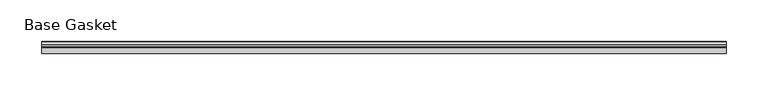
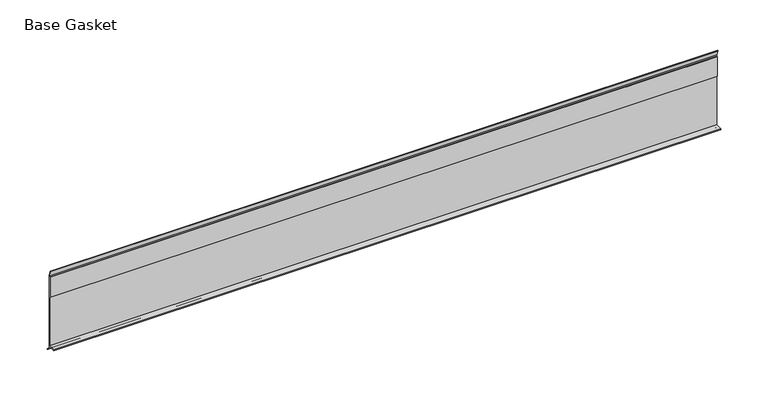
"""IFC4 building model written with IfcOpenShell, lengths in millimetres: furniture geometry, Base Gasket."""

from ifc_helpers import new_model, si_unit, frame, origin, place, context, project, spatial, polyline, outline, extrude, source, transform, mapped, element, save


def base_gasket_f4178dae(model_context):
    return source(origin(), model_context, "Body", "SweptSolid", [
        extrude(outline(polyline([(3.7283812, 98.4568417), (3.7283812, 4.3498477), (7.4222115, 0.6560174), (7.8482342, 0.0), (6.8281054, 0.3520979), (2.2043812, 4.3498477), (2.1334222, 6.3818476), (-6.2405171, 6.3818476), (-6.2405171, 7.9398773), (2.2043812, 7.9398773), (2.2043812, 71.4693447), (1.4106313, 71.4693447), (1.4106313, 96.8693477), (2.2043812, 96.8693477), (2.2043812, 98.4568417), (0.6755308, 104.4162708), (0.6755308, 105.2002997), (1.1891543, 104.587663), (3.7283812, 98.4568417)])), frame((-1527.8982117, 0.0, 0.0), z_axis=(1.0, 0.0, 0.0), x_axis=(0.0, 1.0, 0.0)), (0.0, 0.0, 1.0), 818.0090928),
    ])


if __name__ == "__main__":
    model = new_model("IFC4")
    model_context = context("Model", 3, world=origin())
    ifc_project = project(units=[si_unit("LENGTHUNIT", "METRE", prefix="MILLI")], contexts=[model_context])
    site = spatial("IfcSite", under=ifc_project)
    building = spatial("IfcBuilding", under=site)
    placement = place(None, origin())
    base_gasket_shape = base_gasket_f4178dae(model_context)
    element("IfcFurniture", 1, ObjectType="Base Gasket", at=placement, inside=building, context=model_context, shape_type="MappedRepresentation", body=[
        mapped(base_gasket_shape, transform((0.0, 0.0, 0.0), x_axis=(1.0, 0.0, 0.0), y_axis=(0.0, 1.0, 0.0), z_axis=(0.0, 0.0, 1.0))),
    ])
    save(model, "model.ifc")
